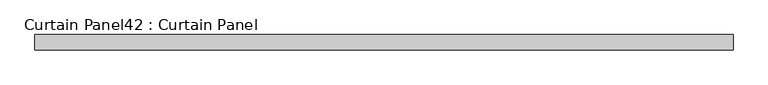
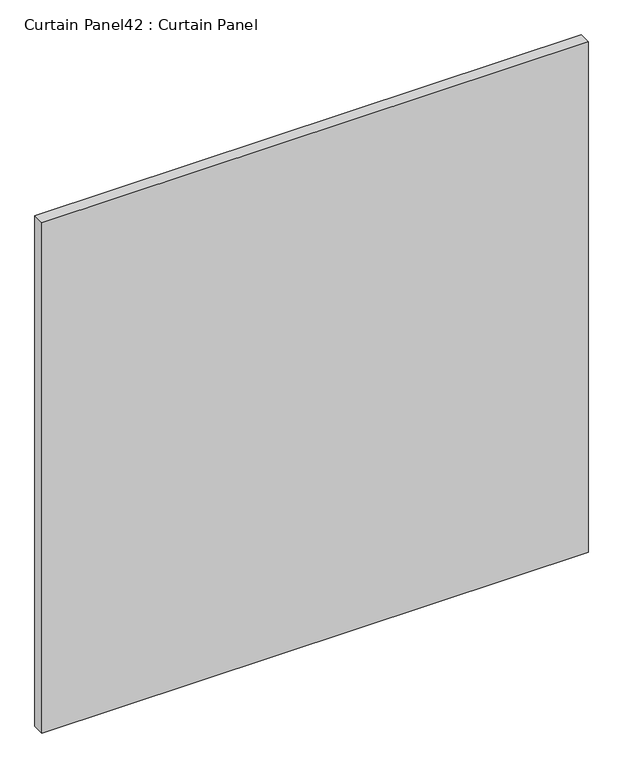
"""IFC4 building model written with IfcOpenShell, lengths in millimetres: plate geometry, Curtain Panel42 : Curtain Panel."""

from ifc_helpers import new_model, si_unit, frame, origin, place, context, project, spatial, polyline, outline, extrude, source, transform, mapped, element, save


def curtain_panel42_curtain_panel_0bfc0f4b(model_context):
    return source(origin(), model_context, "Body", "SweptSolid", [
        extrude(outline(polyline([(-411448.4505274, 3483.7345246), (-412605.3149983, 3483.7345246), (-412605.3149983, 3509.1345246), (-411448.4505274, 3509.1345246), (-411448.4505274, 3483.7345246)])), frame((0.0, 0.0, 66.6751132), z_axis=(0.0, 0.0, 1.0), x_axis=(1.0, 0.0, 0.0)), (0.0, 0.0, 1.0), 1142.9997736),
    ])


if __name__ == "__main__":
    model = new_model("IFC4")
    model_context = context("Model", 3, world=origin())
    ifc_project = project(units=[si_unit("LENGTHUNIT", "METRE", prefix="MILLI")], contexts=[model_context])
    site = spatial("IfcSite", under=ifc_project)
    building = spatial("IfcBuilding", under=site)
    placement = place(None, origin())
    curtain_panel42_curtain_panel_shape = curtain_panel42_curtain_panel_0bfc0f4b(model_context)
    element("IfcPlate", 1, ObjectType="Curtain Panel42 : Curtain Panel", at=placement, inside=building, context=model_context, shape_type="MappedRepresentation", body=[
        mapped(curtain_panel42_curtain_panel_shape, transform((0.0, 0.0, 0.0), x_axis=(1.0, 0.0, 0.0), y_axis=(0.0, 1.0, 0.0), z_axis=(0.0, 0.0, 1.0))),
    ])
    save(model, "model.ifc")
